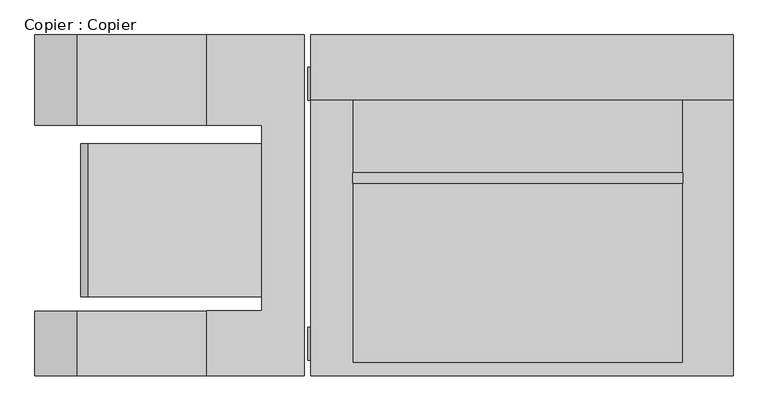
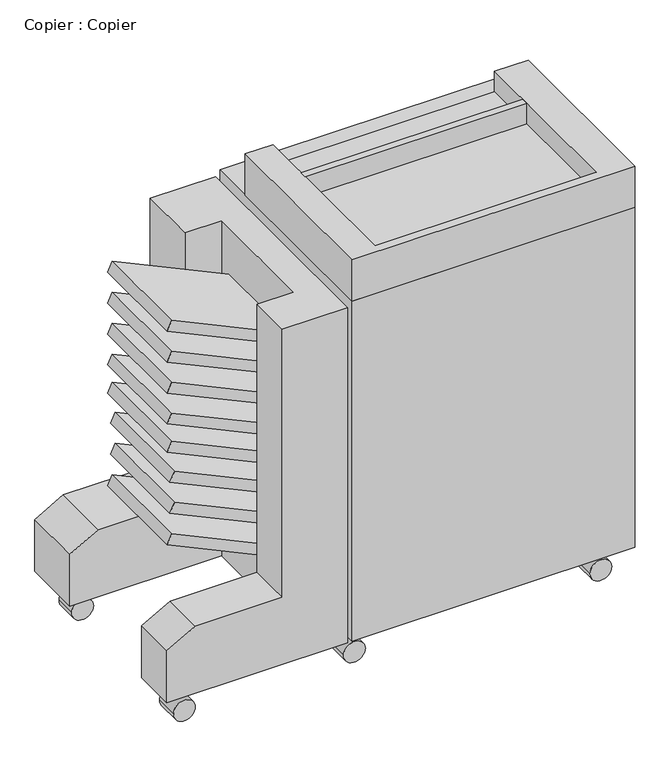
"""IFC4 building model written with IfcOpenShell, lengths in millimetres: proxy geometry, Copier : Copier."""

from ifc_helpers import new_model, si_unit, point, frame, frame_2d, origin, place, context, project, spatial, polyline, circle_curve, trimmed, segment, composite_curve, outline, extrude, faceted_brep, source, transform, mapped, element, save


def copier_copier_207d0c46(model_context):
    return source(origin(), model_context, "Body", "SolidModel", [
        extrude(outline(polyline([(387.7567294, -681.6535349), (364.7365116, -692.3880388), (232.9041289, -409.6725817), (260.929928, -409.6725817), (387.7567294, -681.6535349)])), frame((0.0, -167.6536807, 0.0), z_axis=(0.0, 1.0, 0.0), x_axis=(0.0, 0.0, 1.0)), (0.0, 0.0, 1.0), 239.8222339),
        extrude(outline(polyline([(463.6667654, -675.0122673), (440.6465476, -685.7467712), (311.9110388, -409.6725817), (339.9368379, -409.6725817), (463.6667654, -675.0122673)])), frame((0.0, -167.6536807, 0.0), z_axis=(0.0, 1.0, 0.0), x_axis=(0.0, 0.0, 1.0)), (0.0, 0.0, 1.0), 239.8222339),
        extrude(outline(polyline([(539.8667654, -675.0122673), (516.8465476, -685.7467712), (388.1110388, -409.6725817), (416.1368379, -409.6725817), (539.8667654, -675.0122673)])), frame((0.0, -167.6536807, 0.0), z_axis=(0.0, 1.0, 0.0), x_axis=(0.0, 0.0, 1.0)), (0.0, 0.0, 1.0), 239.8222339),
        extrude(outline(polyline([(914.2268014, -681.6535349), (891.2065836, -692.3880388), (759.3742009, -409.6725817), (787.4, -409.6725817), (914.2268014, -681.6535349)])), frame((0.0, -167.6536807, 0.0), z_axis=(0.0, 1.0, 0.0), x_axis=(0.0, 0.0, 1.0)), (0.0, 0.0, 1.0), 239.8222339),
        extrude(outline(polyline([(838.0268014, -681.6535349), (815.0065836, -692.3880388), (683.1742009, -409.6725817), (711.2, -409.6725817), (838.0268014, -681.6535349)])), frame((0.0, -167.6536807, 0.0), z_axis=(0.0, 1.0, 0.0), x_axis=(0.0, 0.0, 1.0)), (0.0, 0.0, 1.0), 239.8222339),
        extrude(outline(polyline([(615.7768014, -681.6535349), (592.7565836, -692.3880388), (460.9242009, -409.6725817), (488.95, -409.6725817), (615.7768014, -681.6535349)])), frame((0.0, -167.6536807, 0.0), z_axis=(0.0, 1.0, 0.0), x_axis=(0.0, 0.0, 1.0)), (0.0, 0.0, 1.0), 239.8222339),
        extrude(outline(polyline([(685.6268014, -681.6535349), (662.6065836, -692.3880388), (530.7742009, -409.6725817), (558.8, -409.6725817), (685.6268014, -681.6535349)])), frame((0.0, -167.6536807, 0.0), z_axis=(0.0, 1.0, 0.0), x_axis=(0.0, 0.0, 1.0)), (0.0, 0.0, 1.0), 239.8222339),
        extrude(outline(polyline([(761.8268014, -681.6535349), (738.8065836, -692.3880388), (606.9742009, -409.6725817), (635.0, -409.6725817), (761.8268014, -681.6535349)])), frame((0.0, -167.6536807, 0.0), z_axis=(0.0, 1.0, 0.0), x_axis=(0.0, 0.0, 1.0)), (0.0, 0.0, 1.0), 239.8222339),
        extrude(outline(composite_curve([segment(trimmed(circle_curve(frame_2d((26.0668925, -711.8709821)), 25.4), [point((26.0668925, -737.2709821))], [point((26.0668925, -686.4709821))], False, "CARTESIAN"), True, "CONTINUOUS"), segment(trimmed(circle_curve(frame_2d((26.0668925, -711.8709821)), 25.4), [point((26.0668925, -686.4709821))], [point((26.0668925, -737.2709821))], False, "CARTESIAN"), True, "CONTINUOUS")], self_intersect=False)), frame((0.0, -271.1108348, 0.0), z_axis=(0.0, 1.0, 0.0), x_axis=(0.0, 0.0, 1.0)), (0.0, 0.0, 1.0), 55.9418879),
        extrude(outline(composite_curve([segment(trimmed(circle_curve(frame_2d((26.0668925, -711.8709821)), 25.4), [point((26.0668925, -737.2709821))], [point((26.0668925, -686.4709821))], False, "CARTESIAN"), True, "CONTINUOUS"), segment(trimmed(circle_curve(frame_2d((26.0668925, -711.8709821)), 25.4), [point((26.0668925, -686.4709821))], [point((26.0668925, -737.2709821))], False, "CARTESIAN"), True, "CONTINUOUS")], self_intersect=False)), frame((0.0, 139.9052479, 0.0), z_axis=(0.0, 1.0, 0.0), x_axis=(0.0, 0.0, 1.0)), (0.0, 0.0, 1.0), 51.3258053),
        faceted_brep([(-764.1654582, 242.0310532, 76.2), (-764.1654582, 242.0310532, 203.2), (-698.1743224, 242.0310532, 241.3), (-494.9743224, 242.0310532, 241.3), (-494.9743224, 242.0310532, 901.7), (-342.5743224, 242.0310532, 901.7), (-342.5743224, 242.0310532, 76.2), (-764.1654582, -291.3689468, 76.2), (-342.5743224, -291.3689468, 76.2), (-342.5743224, -291.3689468, 901.7), (-494.9743224, -291.3689468, 901.7), (-494.9743224, -291.3689468, 241.3), (-698.1743224, -291.3689468, 241.3), (-764.1654582, -291.3689468, 203.2), (-764.1654582, -189.7689468, 76.2), (-409.6725817, -189.7689468, 76.2), (-409.6725817, 100.8888364, 76.2), (-764.1654582, 100.8888364, 76.2), (-494.9743224, 100.8888364, 901.7), (-409.6725817, 100.8888364, 901.7), (-409.6725817, -189.7689468, 901.7), (-494.9743224, -189.7689468, 901.7), (-494.9743224, -189.7689468, 241.3), (-494.9743224, 100.8888364, 241.3), (-698.1743224, -189.7689468, 241.3), (-698.1743224, 100.8888364, 241.3), (-764.1654582, -189.7689468, 203.2), (-764.1654582, 100.8888364, 203.2)], [[[0, 1, 2, 3, 4, 5, 6]], [[7, 8, 9, 10, 11, 12, 13]], [[6, 8, 7, 14, 15, 16, 17, 0]], [[5, 9, 8, 6]], [[4, 18, 19, 20, 21, 10, 9, 5]], [[10, 21, 22, 11]], [[3, 23, 18, 4]], [[11, 22, 24, 12]], [[2, 25, 23, 3]], [[12, 24, 26, 13]], [[1, 27, 25, 2]], [[0, 17, 27, 1]], [[13, 26, 14, 7]], [[15, 14, 26, 24, 22, 21, 20]], [[19, 18, 23, 25, 27, 17, 16]], [[20, 19, 16, 15]]]),
        extrude(outline(composite_curve([segment(trimmed(circle_curve(frame_2d((27.9129458, -312.2555429)), 25.4), [point((27.9129458, -337.6555429))], [point((27.9129458, -286.8555429))], False, "CARTESIAN"), True, "CONTINUOUS"), segment(trimmed(circle_curve(frame_2d((27.9129458, -312.2555429)), 25.4), [point((27.9129458, -286.8555429))], [point((27.9129458, -337.6555429))], False, "CARTESIAN"), True, "CONTINUOUS")], self_intersect=False)), frame((0.0, -266.4947521, 0.0), z_axis=(0.0, 1.0, 0.0), x_axis=(0.0, 0.0, 1.0)), (0.0, 0.0, 1.0), 51.3258053),
        extrude(outline(composite_curve([segment(trimmed(circle_curve(frame_2d((27.9129458, 262.7398948)), 25.4), [point((27.9129458, 237.3398948))], [point((27.9129458, 288.1398948))], False, "CARTESIAN"), True, "CONTINUOUS"), segment(trimmed(circle_curve(frame_2d((27.9129458, 262.7398948)), 25.4), [point((27.9129458, 288.1398948))], [point((27.9129458, 237.3398948))], False, "CARTESIAN"), True, "CONTINUOUS")], self_intersect=False)), frame((0.0, -266.4947521, 0.0), z_axis=(0.0, 1.0, 0.0), x_axis=(0.0, 0.0, 1.0)), (0.0, 0.0, 1.0), 51.3258053),
        extrude(outline(composite_curve([segment(trimmed(circle_curve(frame_2d((27.9129458, -312.2555429)), 25.4), [point((27.9129458, -337.6555429))], [point((27.9129458, -286.8555429))], False, "CARTESIAN"), True, "CONTINUOUS"), segment(trimmed(circle_curve(frame_2d((27.9129458, -312.2555429)), 25.4), [point((27.9129458, -286.8555429))], [point((27.9129458, -337.6555429))], False, "CARTESIAN"), True, "CONTINUOUS")], self_intersect=False)), frame((0.0, 139.9052479, 0.0), z_axis=(0.0, 1.0, 0.0), x_axis=(0.0, 0.0, 1.0)), (0.0, 0.0, 1.0), 51.3258053),
        extrude(outline(composite_curve([segment(trimmed(circle_curve(frame_2d((27.9129458, 262.7398948)), 25.4), [point((27.9129458, 237.3398948))], [point((27.9129458, 288.1398948))], False, "CARTESIAN"), True, "CONTINUOUS"), segment(trimmed(circle_curve(frame_2d((27.9129458, 262.7398948)), 25.4), [point((27.9129458, 288.1398948))], [point((27.9129458, 237.3398948))], False, "CARTESIAN"), True, "CONTINUOUS")], self_intersect=False)), frame((0.0, 139.9052479, 0.0), z_axis=(0.0, 1.0, 0.0), x_axis=(0.0, 0.0, 1.0)), (0.0, 0.0, 1.0), 51.3258053),
        extrude(outline(composite_curve([segment(trimmed(circle_curve(frame_2d((27.9129458, -306.6302391)), 25.4), [point((27.9129458, -332.0302391))], [point((27.9129458, -281.2302391))], False, "CARTESIAN"), True, "CONTINUOUS"), segment(trimmed(circle_curve(frame_2d((27.9129458, -306.6302391)), 25.4), [point((27.9129458, -281.2302391))], [point((27.9129458, -332.0302391))], False, "CARTESIAN"), True, "CONTINUOUS")], self_intersect=False)), frame((0.0, 139.9052479, 0.0), z_axis=(0.0, 1.0, 0.0), x_axis=(0.0, 0.0, 1.0)), (0.0, 0.0, 1.0), 51.3258053),
        extrude(outline(composite_curve([segment(trimmed(circle_curve(frame_2d((27.9129458, 268.3651986)), 25.4), [point((27.9129458, 242.9651986))], [point((27.9129458, 293.7651986))], False, "CARTESIAN"), True, "CONTINUOUS"), segment(trimmed(circle_curve(frame_2d((27.9129458, 268.3651986)), 25.4), [point((27.9129458, 293.7651986))], [point((27.9129458, 242.9651986))], False, "CARTESIAN"), True, "CONTINUOUS")], self_intersect=False)), frame((0.0, 139.9052479, 0.0), z_axis=(0.0, 1.0, 0.0), x_axis=(0.0, 0.0, 1.0)), (0.0, 0.0, 1.0), 51.3258053),
        extrude(outline(polyline([(249.314028, 26.1310532), (249.314028, 10.0577181), (-267.2959958, 10.0577181), (-267.2959958, 26.1310532), (249.314028, 26.1310532)])), frame((0.0, 0.0, 965.2), z_axis=(0.0, 0.0, 1.0), x_axis=(1.0, 0.0, 0.0)), (0.0, 0.0, 1.0), 50.8),
        faceted_brep([(34.8258507, 216.6310532, 578.8591447), (34.8258507, 216.6310532, 553.4591447), (-66.7741493, 216.6310532, 553.4591447), (-66.7741493, 216.6310532, 578.8591447), (249.314028, 242.0310532, 472.3553727), (-284.085972, 242.0310532, 472.3553727), (-284.085972, 242.0310532, 609.6), (249.314028, 242.0310532, 609.6), (-66.7741493, 242.0310532, 578.8591447), (-66.7741493, 242.0310532, 553.4591447), (34.8258507, 242.0310532, 553.4591447), (34.8258507, 242.0310532, 578.8591447), (249.314028, 191.2310532, 472.3553727), (249.314028, 191.2310532, 609.6), (-284.085972, 191.2310532, 609.6), (-284.085972, 191.2310532, 472.3553727)], [[[0, 1, 2, 3]], [[4, 5, 6, 7], [8, 9, 10, 11]], [[12, 13, 14, 15]], [[7, 13, 12, 4]], [[6, 14, 13, 7]], [[5, 15, 14, 6]], [[4, 12, 15, 5]], [[3, 8, 11, 0]], [[2, 9, 8, 3]], [[1, 10, 9, 2]], [[0, 11, 10, 1]]]),
        faceted_brep([(34.8258507, 216.6310532, 432.3774172), (34.8258507, 216.6310532, 406.4), (-66.7741493, 216.6310532, 406.4), (-66.7741493, 216.6310532, 432.3774172), (249.314028, 242.0310532, 283.8723489), (-284.085972, 242.0310532, 283.8723489), (-284.085972, 242.0310532, 472.3553727), (249.314028, 242.0310532, 472.3553727), (-66.7741493, 242.0310532, 432.3774172), (-66.7741493, 242.0310532, 406.4), (34.8258507, 242.0310532, 406.4), (34.8258507, 242.0310532, 432.3774172), (249.314028, 191.2310532, 283.8723489), (249.314028, 191.2310532, 472.3553727), (-284.085972, 191.2310532, 472.3553727), (-284.085972, 191.2310532, 283.8723489)], [[[0, 1, 2, 3]], [[4, 5, 6, 7], [8, 9, 10, 11]], [[12, 13, 14, 15]], [[7, 13, 12, 4]], [[6, 14, 13, 7]], [[5, 15, 14, 6]], [[4, 12, 15, 5]], [[3, 8, 11, 0]], [[2, 9, 8, 3]], [[1, 10, 9, 2]], [[0, 11, 10, 1]]]),
        faceted_brep([(249.314028, 242.0310532, 76.2), (-284.085972, 242.0310532, 76.2), (-284.085972, 242.0310532, 283.8723489), (249.314028, 242.0310532, 283.8723489), (-66.7741493, 242.0310532, 246.5423898), (-66.7741493, 242.0310532, 211.1096445), (34.8258507, 242.0310532, 211.1096445), (34.8258507, 242.0310532, 246.5423898), (249.314028, 191.2310532, 76.2), (249.314028, 191.2310532, 283.8723489), (-284.085972, 191.2310532, 283.8723489), (-284.085972, 191.2310532, 76.2), (34.8258507, 216.6310532, 246.5423898), (34.8258507, 216.6310532, 211.1096445), (-66.7741493, 216.6310532, 211.1096445), (-66.7741493, 216.6310532, 246.5423898)], [[[0, 1, 2, 3], [4, 5, 6, 7]], [[8, 9, 10, 11]], [[3, 9, 8, 0]], [[2, 10, 9, 3]], [[1, 11, 10, 2]], [[0, 8, 11, 1]], [[12, 13, 14, 15]], [[15, 4, 7, 12]], [[14, 5, 4, 15]], [[13, 6, 5, 14]], [[12, 7, 6, 13]]]),
        faceted_brep([(328.0345418, -291.3689468, 1016.0), (328.0345418, 139.9052479, 1016.0), (249.314028, 139.9052479, 1016.0), (249.314028, -271.1108348, 1016.0), (-267.2959958, -271.1108348, 1016.0), (-267.2959958, 139.9052479, 1016.0), (-332.3654582, 139.9052479, 1016.0), (-332.3654582, -291.3689468, 1016.0), (328.0345418, -291.3689468, 914.4), (-332.3654582, -291.3689468, 914.4), (-332.3654582, 139.9052479, 914.4), (328.0345418, 139.9052479, 914.4), (-267.2959958, 139.9052479, 965.2), (249.314028, 139.9052479, 965.2), (249.314028, -271.1108348, 965.2), (-267.2959958, -271.1108348, 965.2)], [[[0, 1, 2, 3, 4, 5, 6, 7]], [[8, 9, 10, 11]], [[7, 9, 8, 0]], [[6, 10, 9, 7]], [[10, 6, 5, 12, 13, 2, 1, 11]], [[0, 8, 11, 1]], [[14, 13, 12, 15]], [[15, 4, 3, 14]], [[12, 5, 4, 15]], [[14, 3, 2, 13]]]),
        faceted_brep([(328.0345418, -291.3689468, 914.4), (328.0345418, 242.0310532, 914.4), (-332.3654582, 242.0310532, 914.4), (-332.3654582, -291.3689468, 914.4), (328.0345418, -291.3689468, 76.2), (-332.3654582, -291.3689468, 76.2), (-332.3654582, 242.0310532, 76.2), (-284.085972, 242.0310532, 76.2), (-284.085972, 191.2310532, 76.2), (249.314028, 191.2310532, 76.2), (249.314028, 242.0310532, 76.2), (328.0345418, 242.0310532, 76.2), (249.314028, 242.0310532, 609.6), (-284.085972, 242.0310532, 609.6), (-284.085972, 191.2310532, 609.6), (249.314028, 191.2310532, 609.6)], [[[0, 1, 2, 3]], [[4, 5, 6, 7, 8, 9, 10, 11]], [[3, 5, 4, 0]], [[2, 6, 5, 3]], [[1, 11, 10, 12, 13, 7, 6, 2]], [[0, 4, 11, 1]], [[14, 15, 9, 8]], [[8, 7, 13, 14]], [[15, 12, 10, 9]], [[14, 13, 12, 15]]]),
    ])


if __name__ == "__main__":
    model = new_model("IFC4")
    model_context = context("Model", 3, world=origin())
    ifc_project = project(units=[si_unit("LENGTHUNIT", "METRE", prefix="MILLI")], contexts=[model_context])
    site = spatial("IfcSite", under=ifc_project)
    building = spatial("IfcBuilding", under=site)
    placement = place(None, origin())
    copier_copier_shape = copier_copier_207d0c46(model_context)
    element("IfcBuildingElementProxy", 1, Name="Copier : Copier", ObjectType="Copier : Copier", at=placement, inside=building, context=model_context, shape_type="MappedRepresentation", body=[
        mapped(copier_copier_shape, transform((0.0, 0.0, 0.0), x_axis=(1.0, 0.0, 0.0), y_axis=(0.0, 1.0, 0.0), z_axis=(0.0, 0.0, 1.0))),
    ])
    save(model, "model.ifc")
